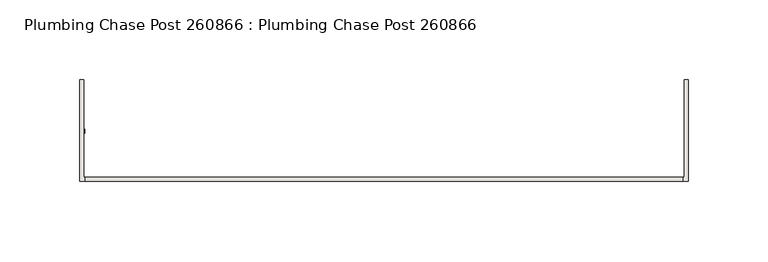
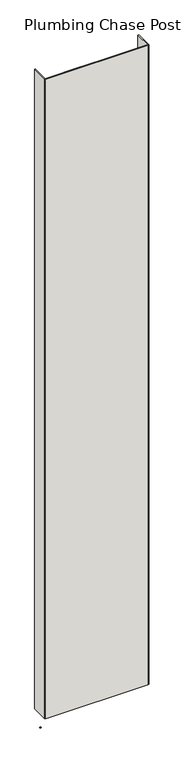
"""IFC4 building model written with IfcOpenShell, lengths in millimetres: wall geometry, Plumbing Chase Post 260866 : Plumbing Chase Post 260866."""

from ifc_helpers import new_model, si_unit, frame, origin, place, context, project, spatial, polyline, outline, extrude, source, transform, mapped, element, save


def plumbing_chase_post_260866_plumbing_chase_post_260866_f221f8de(model_context):
    return source(origin(), model_context, "Body", "SweptSolid", [
        extrude(outline(polyline([(85232.2313132, -51524.0345692), (85234.7713132, -51524.0345692), (85234.7713132, -51526.5745692), (85232.2313132, -51526.5745692), (85232.2313132, -51524.0345692)])), frame((0.0, 0.0, 4419.6), z_axis=(0.0, 0.0, 1.0), x_axis=(1.0, 0.0, 0.0)), (0.0, 0.0, 1.0), 2.54),
        extrude(outline(polyline([(85610.520168, -51557.2995014), (85234.933797, -51557.2995014), (85234.933797, -51554.6330094), (85610.520168, -51554.6330094), (85610.520168, -51557.2995014)])), frame((0.0, 0.0, 4474.8958), z_axis=(0.0, 0.0, 1.0), x_axis=(1.0, 0.0, 0.0)), (0.0, 0.0, 1.0), 2481.1482254),
        extrude(outline(polyline([(85610.520168, -51557.2995014), (85234.933797, -51557.2995014), (85234.933797, -51554.6330094), (85610.520168, -51554.6330094), (85610.520168, -51557.2995014)])), frame((0.0, 0.0, 4474.8958), z_axis=(0.0, 0.0, 1.0), x_axis=(1.0, 0.0, 0.0)), (0.0, 0.0, 1.0), 2481.1482254),
        extrude(outline(polyline([(85613.9742124, -51557.2995014), (85480.6242124, -51557.2995014), (85480.6242124, -51554.6330094), (85611.3077204, -51554.6330094), (85611.3077204, -51493.2941176), (85613.9742124, -51493.2941176), (85613.9742124, -51557.2995014)])), frame((0.0, 0.0, 4474.8958), z_axis=(0.0, 0.0, 1.0), x_axis=(1.0, 0.0, 0.0)), (0.0, 0.0, 1.0), 2481.1482254),
        extrude(outline(polyline([(85613.9742124, -51557.2995014), (85480.6242124, -51557.2995014), (85480.6242124, -51554.6330094), (85611.3077204, -51554.6330094), (85611.3077204, -51493.2941176), (85613.9742124, -51493.2941176), (85613.9742124, -51557.2995014)])), frame((0.0, 0.0, 4474.8958), z_axis=(0.0, 0.0, 1.0), x_axis=(1.0, 0.0, 0.0)), (0.0, 0.0, 1.0), 2481.1482254),
        extrude(outline(polyline([(85364.8297272, -51554.6330094), (85364.8297272, -51557.2995014), (85231.4797272, -51557.2995014), (85231.4797272, -51493.2941176), (85234.1462446, -51493.2941176), (85234.1462446, -51554.6330094), (85364.8297272, -51554.6330094)])), frame((0.0, 0.0, 4474.8958), z_axis=(0.0, 0.0, 1.0), x_axis=(1.0, 0.0, 0.0)), (0.0, 0.0, 1.0), 2481.1482254),
        extrude(outline(polyline([(85364.8297272, -51554.6330094), (85364.8297272, -51557.2995014), (85231.4797272, -51557.2995014), (85231.4797272, -51493.2941176), (85234.1462446, -51493.2941176), (85234.1462446, -51554.6330094), (85364.8297272, -51554.6330094)])), frame((0.0, 0.0, 4474.8958), z_axis=(0.0, 0.0, 1.0), x_axis=(1.0, 0.0, 0.0)), (0.0, 0.0, 1.0), 2481.1482254),
    ])


if __name__ == "__main__":
    model = new_model("IFC4")
    model_context = context("Model", 3, world=origin())
    ifc_project = project(units=[si_unit("LENGTHUNIT", "METRE", prefix="MILLI")], contexts=[model_context])
    site = spatial("IfcSite", under=ifc_project)
    building = spatial("IfcBuilding", under=site)
    placement = place(None, origin())
    plumbing_chase_post_260866_plumbing_chase_post_260866_shape = plumbing_chase_post_260866_plumbing_chase_post_260866_f221f8de(model_context)
    element("IfcWall", 1, ObjectType="Plumbing Chase Post 260866 : Plumbing Chase Post 260866", at=placement, inside=building, context=model_context, shape_type="MappedRepresentation", body=[
        mapped(plumbing_chase_post_260866_plumbing_chase_post_260866_shape, transform((0.0, 0.0, 0.0), x_axis=(1.0, 0.0, 0.0), y_axis=(0.0, 1.0, 0.0), z_axis=(0.0, 0.0, 1.0))),
    ])
    save(model, "model.ifc")
